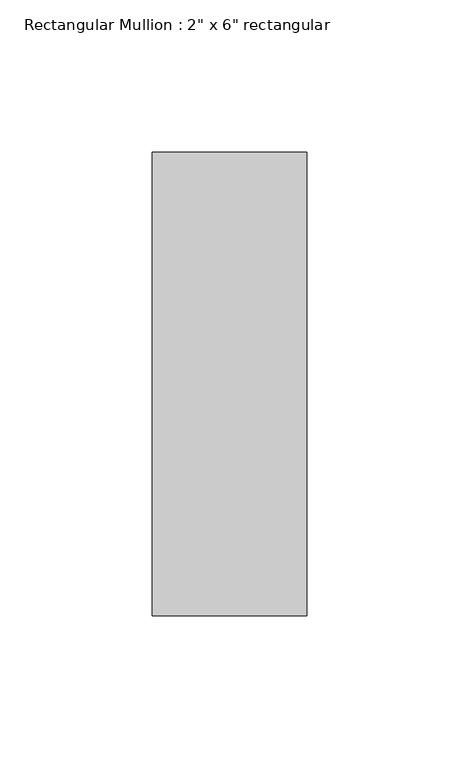
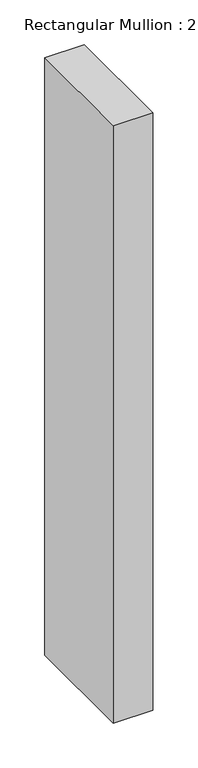
"""IFC4 building model written with IfcOpenShell, lengths in millimetres: member geometry."""

from ifc_helpers import new_model, si_unit, frame, origin, place, context, project, spatial, polyline, outline, extrude, source, transform, mapped, element, save


def member_92398d45(model_context):
    return source(origin(), model_context, "Body", "SweptSolid", [
        extrude(outline(polyline([(0.0, 76.2), (0.0, -76.2), (-50.8, -76.2), (-50.8, 76.2), (0.0, 76.2)])), frame((0.0, 0.0, -812.8), z_axis=(0.0, 0.0, 1.0), x_axis=(1.0, 0.0, 0.0)), (0.0, 0.0, 1.0), 812.8),
    ])


if __name__ == "__main__":
    model = new_model("IFC4")
    model_context = context("Model", 3, world=origin())
    ifc_project = project(units=[si_unit("LENGTHUNIT", "METRE", prefix="MILLI")], contexts=[model_context])
    site = spatial("IfcSite", under=ifc_project)
    building = spatial("IfcBuilding", under=site)
    placement = place(None, origin())
    member_shape = member_92398d45(model_context)
    element("IfcMember", 1, ObjectType="Rectangular Mullion : 2\" x 6\" rectangular", at=placement, inside=building, context=model_context, shape_type="MappedRepresentation", body=[
        mapped(member_shape, transform((0.0, 0.0, 0.0), x_axis=(1.0, 0.0, 0.0), y_axis=(0.0, 1.0, 0.0), z_axis=(0.0, 0.0, 1.0))),
    ])
    save(model, "model.ifc")
